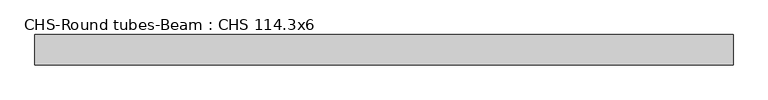
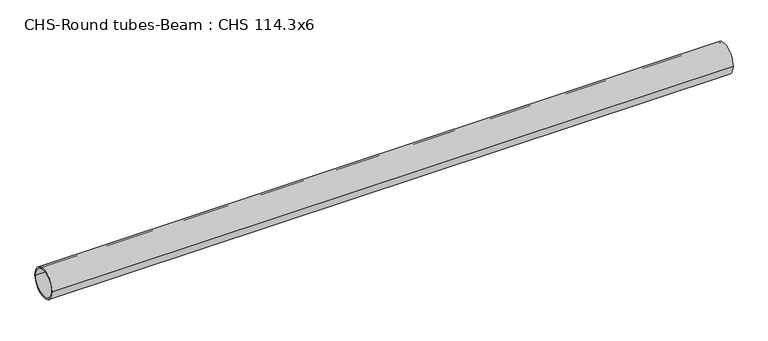
"""IFC4 building model written with IfcOpenShell, lengths in millimetres: beam geometry, CHS-Round tubes-Beam : CHS 114.3x6."""

from ifc_helpers import new_model, si_unit, point, frame, origin, origin_2d, place, context, project, spatial, circle_curve, trimmed, segment, composite_curve, outline, extrude, source, transform, mapped, element, save


def chs_round_tubes_beam_chs_114_3x6_dfb6e985(model_context):
    return source(origin(), model_context, "Body", "SweptSolid", [
        extrude(outline(composite_curve([segment(trimmed(circle_curve(origin_2d(), 57.15), [point((57.15, 0.0))], [point((-57.15, 0.0))], False, "CARTESIAN"), True, "CONTINUOUS"), segment(trimmed(circle_curve(origin_2d(), 57.15), [point((-57.15, 0.0))], [point((57.15, 0.0))], False, "CARTESIAN"), True, "CONTINUOUS")], self_intersect=False), holes=[composite_curve([segment(trimmed(circle_curve(origin_2d(), 51.15), [point((51.15, 0.0))], [point((-51.15, 0.0))], True, "CARTESIAN"), True, "CONTINUOUS"), segment(trimmed(circle_curve(origin_2d(), 51.15), [point((-51.15, 0.0))], [point((51.15, 0.0))], True, "CARTESIAN"), True, "CONTINUOUS")], self_intersect=False)]), frame((-1270.0041863, 0.0, 0.0), z_axis=(1.0, 0.0, 0.0), x_axis=(0.0, 1.0, 0.0)), (0.0, 0.0, 1.0), 2609.4136145),
    ])


if __name__ == "__main__":
    model = new_model("IFC4")
    model_context = context("Model", 3, world=origin())
    ifc_project = project(units=[si_unit("LENGTHUNIT", "METRE", prefix="MILLI")], contexts=[model_context])
    site = spatial("IfcSite", under=ifc_project)
    building = spatial("IfcBuilding", under=site)
    placement = place(None, origin())
    chs_round_tubes_beam_chs_114_3x6_shape = chs_round_tubes_beam_chs_114_3x6_dfb6e985(model_context)
    element("IfcBeam", 1, ObjectType="CHS-Round tubes-Beam : CHS 114.3x6", at=placement, inside=building, context=model_context, shape_type="MappedRepresentation", body=[
        mapped(chs_round_tubes_beam_chs_114_3x6_shape, transform((0.0, 0.0, 0.0), x_axis=(1.0, 0.0, 0.0), y_axis=(0.0, 1.0, 0.0), z_axis=(0.0, 0.0, 1.0))),
    ])
    save(model, "model.ifc")
